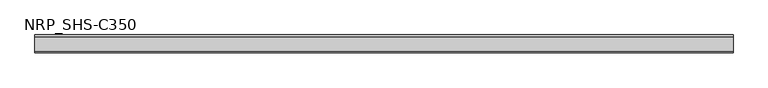
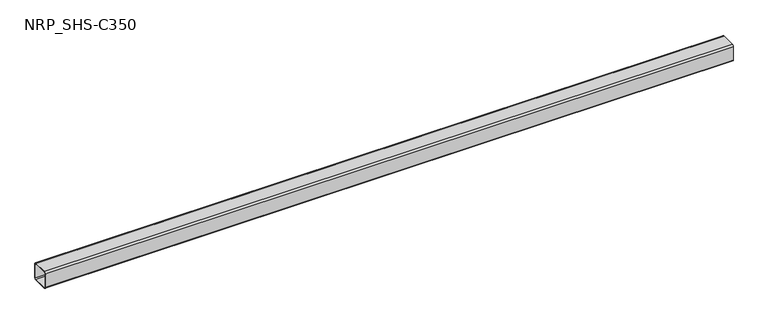
"""IFC4 building model written with IfcOpenShell, lengths in millimetres: member geometry, NRP_SHS-C350."""

from ifc_helpers import new_model, si_unit, point, frame, frame_2d, origin, place, context, project, spatial, polyline, circle_curve, trimmed, segment, composite_curve, outline, extrude, source, transform, mapped, element, save


def nrp_shs_c350_4601497c(model_context):
    return source(origin(), model_context, "Body", "SweptSolid", [
        extrude(outline(composite_curve([segment(polyline([(44.5, 35.75), (44.5, -35.75)]), True, "CONTINUOUS"), segment(trimmed(circle_curve(frame_2d((35.75, -35.75)), 8.75), [point((44.5, -35.75))], [point((35.75, -44.5))], False, "CARTESIAN"), True, "CONTINUOUS"), segment(polyline([(35.75, -44.5), (-35.75, -44.5)]), True, "CONTINUOUS"), segment(trimmed(circle_curve(frame_2d((-35.75, -35.75)), 8.75), [point((-35.75, -44.5))], [point((-44.5, -35.75))], False, "CARTESIAN"), True, "CONTINUOUS"), segment(polyline([(-44.5, -35.75), (-44.5, 35.75)]), True, "CONTINUOUS"), segment(trimmed(circle_curve(frame_2d((-35.75, 35.75)), 8.75), [point((-44.5, 35.75))], [point((-35.75, 44.5))], False, "CARTESIAN"), True, "CONTINUOUS"), segment(polyline([(-35.75, 44.5), (35.75, 44.5)]), True, "CONTINUOUS"), segment(trimmed(circle_curve(frame_2d((35.75, 35.75)), 8.75), [point((35.75, 44.5))], [point((44.5, 35.75))], False, "CARTESIAN"), True, "CONTINUOUS")], self_intersect=False), holes=[composite_curve([segment(trimmed(circle_curve(frame_2d((-35.75, 35.75)), 5.25), [point((-35.75, 41.0))], [point((-41.0, 35.75))], True, "CARTESIAN"), True, "CONTINUOUS"), segment(polyline([(-41.0, 35.75), (-41.0, -35.75)]), True, "CONTINUOUS"), segment(trimmed(circle_curve(frame_2d((-35.75, -35.75)), 5.25), [point((-41.0, -35.75))], [point((-35.75, -41.0))], True, "CARTESIAN"), True, "CONTINUOUS"), segment(polyline([(-35.75, -41.0), (35.75, -41.0)]), True, "CONTINUOUS"), segment(trimmed(circle_curve(frame_2d((35.75, -35.75)), 5.25), [point((35.75, -41.0))], [point((41.0, -35.75))], True, "CARTESIAN"), True, "CONTINUOUS"), segment(polyline([(41.0, -35.75), (41.0, 35.75)]), True, "CONTINUOUS"), segment(trimmed(circle_curve(frame_2d((35.75, 35.75)), 5.25), [point((41.0, 35.75))], [point((35.75, 41.0))], True, "CARTESIAN"), True, "CONTINUOUS"), segment(polyline([(35.75, 41.0), (-35.75, 41.0)]), True, "CONTINUOUS")], self_intersect=False)]), frame((-1740.0, 0.0, 0.0), z_axis=(1.0, 0.0, 0.0), x_axis=(0.0, 1.0, 0.0)), (0.0, 0.0, 1.0), 3474.0),
    ])


if __name__ == "__main__":
    model = new_model("IFC4")
    model_context = context("Model", 3, world=origin())
    ifc_project = project(units=[si_unit("LENGTHUNIT", "METRE", prefix="MILLI")], contexts=[model_context])
    site = spatial("IfcSite", under=ifc_project)
    building = spatial("IfcBuilding", under=site)
    placement = place(None, origin())
    nrp_shs_c350_shape = nrp_shs_c350_4601497c(model_context)
    element("IfcMember", 1, ObjectType="NRP_SHS-C350", at=placement, inside=building, context=model_context, shape_type="MappedRepresentation", body=[
        mapped(nrp_shs_c350_shape, transform((0.0, 0.0, 0.0), x_axis=(1.0, 0.0, 0.0), y_axis=(0.0, 1.0, 0.0), z_axis=(0.0, 0.0, 1.0))),
    ])
    save(model, "model.ifc")
